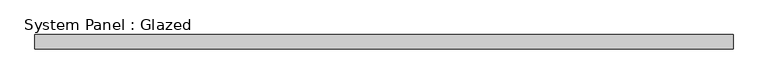
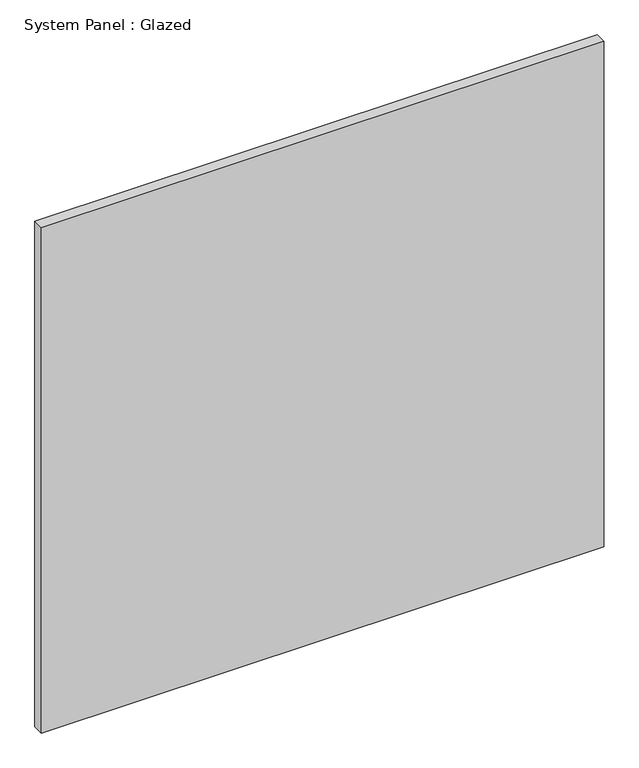
"""IFC4 building model written with IfcOpenShell, lengths in millimetres: plate geometry, System Panel : Glazed."""

from ifc_helpers import new_model, si_unit, origin, origin_with_axes, place, context, project, spatial, polyline, outline, extrude, source, transform, mapped, element, save


def system_panel_glazed_90a5e933(model_context):
    return source(origin(), model_context, "Body", "SweptSolid", [
        extrude(outline(polyline([(626.2292596, -12.7), (-626.2292596, -12.7), (-626.2292596, 12.7), (626.2292596, 12.7), (626.2292596, -12.7)])), origin_with_axes(), (0.0, 0.0, 1.0), 1189.6598),
    ])


if __name__ == "__main__":
    model = new_model("IFC4")
    model_context = context("Model", 3, world=origin())
    ifc_project = project(units=[si_unit("LENGTHUNIT", "METRE", prefix="MILLI")], contexts=[model_context])
    site = spatial("IfcSite", under=ifc_project)
    building = spatial("IfcBuilding", under=site)
    placement = place(None, origin())
    system_panel_glazed_shape = system_panel_glazed_90a5e933(model_context)
    element("IfcPlate", 1, ObjectType="System Panel : Glazed", at=placement, inside=building, context=model_context, shape_type="MappedRepresentation", body=[
        mapped(system_panel_glazed_shape, transform((0.0, 0.0, 0.0), x_axis=(1.0, 0.0, 0.0), y_axis=(0.0, 1.0, 0.0), z_axis=(0.0, 0.0, 1.0))),
    ])
    save(model, "model.ifc")
